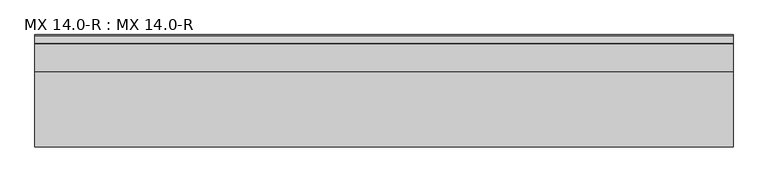
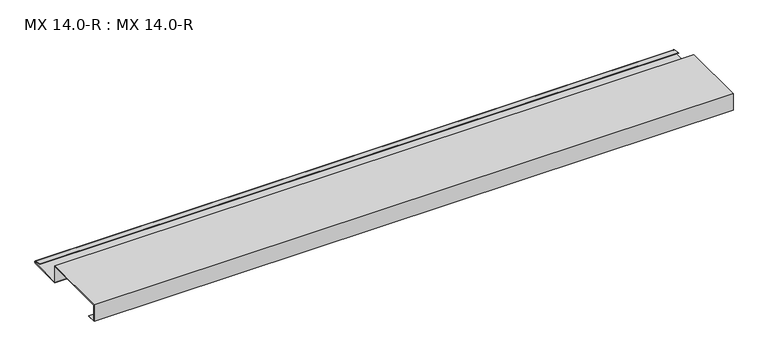
"""IFC4 building model written with IfcOpenShell, lengths in millimetres: proxy geometry, MX 14.0-R : MX 14.0-R."""

from ifc_helpers import new_model, si_unit, point, frame, frame_2d, origin, place, context, project, spatial, polyline, circle_curve, trimmed, segment, composite_curve, outline, extrude, source, transform, mapped, element, save


def mx_14_0_r_mx_14_0_r_bc8619bf(model_context):
    return source(origin(), model_context, "Body", "SweptSolid", [
        extrude(outline(composite_curve([segment(trimmed(circle_curve(frame_2d((221.9700946, 2.4215767)), 3.0361691), [point((223.163909, 5.2131944))], [point((222.7963586, -0.5))], False, "CARTESIAN"), True, "CONTINUOUS"), segment(polyline([(222.7963586, -0.5), (149.0, -0.5), (149.0, 37.5), (1.0, 37.5), (1.0, 1.5), (20.0, 1.5), (20.0, 0.5), (0.0, 0.5), (0.0, 38.5), (150.0, 38.5), (150.0, 0.5), (222.6835104, 0.5)]), True, "CONTINUOUS"), segment(trimmed(circle_curve(frame_2d((221.9419644, 2.4153551)), 2.0538928), [point((222.6835104, 0.5))], [point((222.807341, 4.278041))], True, "CARTESIAN"), True, "CONTINUOUS"), segment(polyline([(222.807341, 4.278041), (207.1307182, 7.2866995), (207.4140687, 8.2359048), (223.163909, 5.2131944)]), True, "CONTINUOUS")], self_intersect=False)), frame((0.0, 0.0, 0.0), z_axis=(1.0, 0.0, 0.0), x_axis=(0.0, 1.0, 0.0)), (0.0, 0.0, 1.0), 1400.0),
    ])


if __name__ == "__main__":
    model = new_model("IFC4")
    model_context = context("Model", 3, world=origin())
    ifc_project = project(units=[si_unit("LENGTHUNIT", "METRE", prefix="MILLI")], contexts=[model_context])
    site = spatial("IfcSite", under=ifc_project)
    building = spatial("IfcBuilding", under=site)
    placement = place(None, origin())
    mx_14_0_r_mx_14_0_r_shape = mx_14_0_r_mx_14_0_r_bc8619bf(model_context)
    element("IfcBuildingElementProxy", 1, Name="MX 14.0-R : MX 14.0-R", ObjectType="MX 14.0-R : MX 14.0-R", at=placement, inside=building, context=model_context, shape_type="MappedRepresentation", body=[
        mapped(mx_14_0_r_mx_14_0_r_shape, transform((0.0, 0.0, 0.0), x_axis=(1.0, 0.0, 0.0), y_axis=(0.0, 1.0, 0.0), z_axis=(0.0, 0.0, 1.0))),
    ])
    save(model, "model.ifc")
